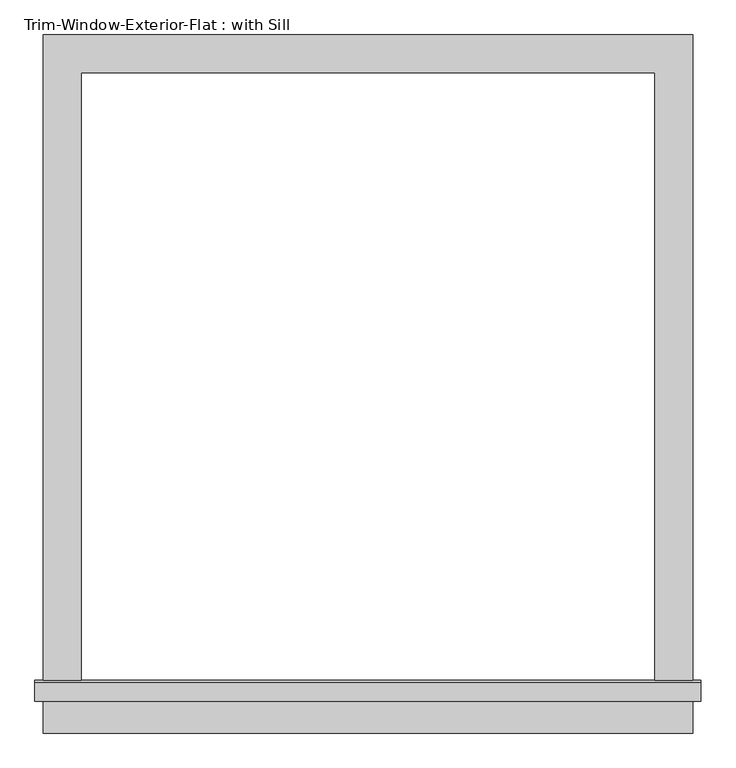
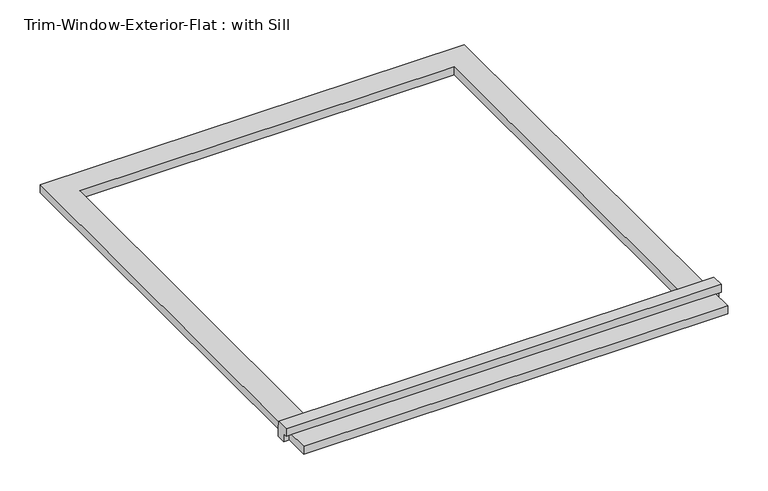
"""IFC4 building model written with IfcOpenShell, lengths in millimetres: proxy geometry, Trim-Window-Exterior-Flat : with Sill."""

from ifc_helpers import new_model, si_unit, frame, origin, origin_with_axes, place, context, project, spatial, polyline, outline, extrude, source, transform, mapped, element, save


def trim_window_exterior_flat_with_sill_41619996(model_context):
    return source(origin(), model_context, "Body", "SweptSolid", [
        extrude(outline(polyline([(488.95, -936.5823709), (488.95, -993.7323709), (-488.95, -993.7323709), (-488.95, -936.5823709), (488.95, -936.5823709)])), origin_with_axes(), (0.0, 0.0, 1.0), 19.05),
        extrude(outline(polyline([(-946.15, 38.1), (-916.8580645, 38.1), (-914.4, 19.05), (-914.4, 0.0), (-936.5823709, 0.0), (-936.5823709, 19.05), (-946.15, 19.05), (-946.15, 38.1)])), frame((-501.65, 0.0, 0.0), z_axis=(1.0, 0.0, 0.0), x_axis=(0.0, 1.0, 0.0)), (0.0, 0.0, 1.0), 1003.3),
        extrude(outline(polyline([(-488.95, 57.15), (488.95, 57.15), (488.95, -914.4), (431.8, -914.4), (431.8, 0.0), (-431.8, 0.0), (-431.8, -914.4), (-488.95, -914.4), (-488.95, 57.15)])), origin_with_axes(), (0.0, 0.0, 1.0), 19.05),
    ])


if __name__ == "__main__":
    model = new_model("IFC4")
    model_context = context("Model", 3, world=origin())
    ifc_project = project(units=[si_unit("LENGTHUNIT", "METRE", prefix="MILLI")], contexts=[model_context])
    site = spatial("IfcSite", under=ifc_project)
    building = spatial("IfcBuilding", under=site)
    placement = place(None, origin())
    trim_window_exterior_flat_with_sill_shape = trim_window_exterior_flat_with_sill_41619996(model_context)
    element("IfcBuildingElementProxy", 1, Name="Trim-Window-Exterior-Flat : with Sill", ObjectType="Trim-Window-Exterior-Flat : with Sill", at=placement, inside=building, context=model_context, shape_type="MappedRepresentation", body=[
        mapped(trim_window_exterior_flat_with_sill_shape, transform((0.0, 0.0, 0.0), x_axis=(1.0, 0.0, 0.0), y_axis=(0.0, 1.0, 0.0), z_axis=(0.0, 0.0, 1.0))),
    ])
    save(model, "model.ifc")
